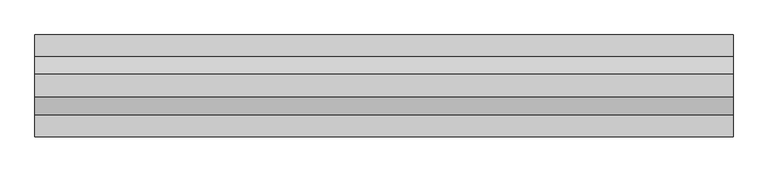
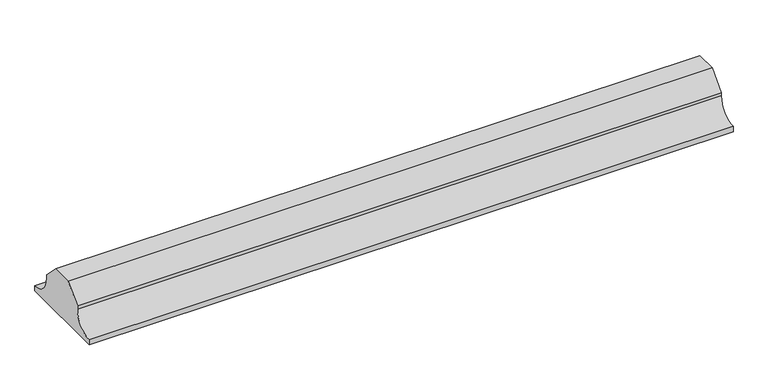
"""IFC4 building model written with IfcOpenShell, lengths in millimetres: proxy geometry."""

from ifc_helpers import new_model, si_unit, point, frame, frame_2d, origin, place, context, project, spatial, polyline, circle_curve, trimmed, segment, composite_curve, outline, extrude, source, transform, mapped, element, save


def generic_models_9a3a155b(model_context):
    return source(origin(), model_context, "Body", "SweptSolid", [
        extrude(outline(composite_curve([segment(polyline([(-10944.7856698, 148.6), (-10865.3223642, 148.6), (-10805.0540188, 88.3316546), (-10805.0540188, 75.0)]), True, "CONTINUOUS"), segment(trimmed(circle_curve(frame_2d((-10730.0540188, 75.0)), 75.0), [point((-10805.0540188, 75.0))], [point((-10730.0540188, 0.0))], True, "CARTESIAN"), True, "CONTINUOUS"), segment(polyline([(-10730.0540188, 0.0), (-10730.0540188, -20.0), (-11080.0540151, -20.0), (-11080.0540151, 0.0)]), True, "CONTINUOUS"), segment(trimmed(circle_curve(frame_2d((-11080.0540151, 75.0)), 75.0), [point((-11080.0540151, 0.0))], [point((-11005.0540151, 75.0))], True, "CARTESIAN"), True, "CONTINUOUS"), segment(polyline([(-11005.0540151, 75.0), (-11005.0540151, 88.3316546), (-10944.7856698, 148.6)]), True, "CONTINUOUS")], self_intersect=False)), frame((9557.6420344, 0.0, 0.0), z_axis=(1.0, 0.0, 0.0), x_axis=(0.0, 1.0, 0.0)), (0.0, 0.0, 1.0), 2400.0),
    ])


if __name__ == "__main__":
    model = new_model("IFC4")
    model_context = context("Model", 3, world=origin())
    ifc_project = project(units=[si_unit("LENGTHUNIT", "METRE", prefix="MILLI")], contexts=[model_context])
    site = spatial("IfcSite", under=ifc_project)
    building = spatial("IfcBuilding", under=site)
    placement = place(None, origin())
    generic_models_shape = generic_models_9a3a155b(model_context)
    element("IfcBuildingElementProxy", 1, Name="Generic Models", at=placement, inside=building, context=model_context, shape_type="MappedRepresentation", body=[
        mapped(generic_models_shape, transform((0.0, 0.0, 0.0), x_axis=(1.0, 0.0, 0.0), y_axis=(0.0, 1.0, 0.0), z_axis=(0.0, 0.0, 1.0))),
    ])
    save(model, "model.ifc")
